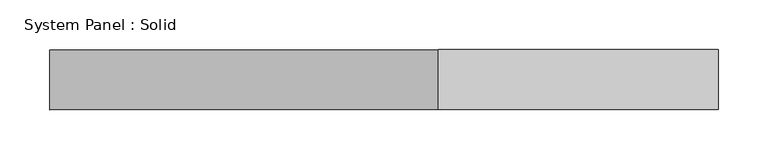
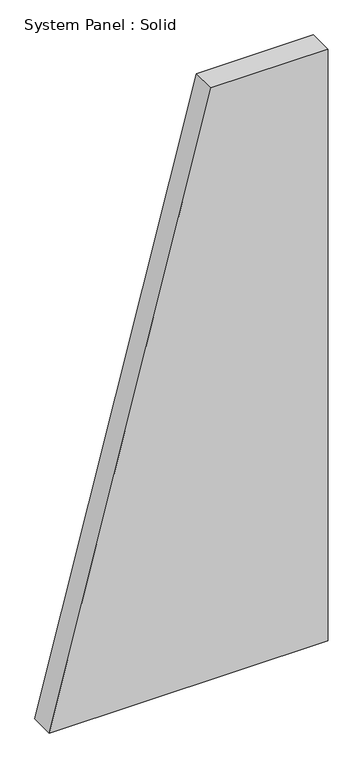
"""IFC4 building model written with IfcOpenShell, lengths in millimetres: plate geometry, System Panel : Solid."""

from ifc_helpers import new_model, si_unit, frame, origin, place, context, project, spatial, polyline, outline, extrude, source, transform, mapped, element, save


def system_panel_solid_e347e200(model_context):
    return source(origin(), model_context, "Body", "SweptSolid", [
        extrude(outline(polyline([(0.0, -334.3003953), (0.0, 334.3003953), (1500.0, 334.3003953), (1500.0, 54.2661396), (0.0, -334.3003953)])), frame((0.0, -10.5, 0.0), z_axis=(0.0, 1.0, 0.0), x_axis=(0.0, 0.0, 1.0)), (0.0, 0.0, 1.0), 60.0),
    ])


if __name__ == "__main__":
    model = new_model("IFC4")
    model_context = context("Model", 3, world=origin())
    ifc_project = project(units=[si_unit("LENGTHUNIT", "METRE", prefix="MILLI")], contexts=[model_context])
    site = spatial("IfcSite", under=ifc_project)
    building = spatial("IfcBuilding", under=site)
    placement = place(None, origin())
    system_panel_solid_shape = system_panel_solid_e347e200(model_context)
    element("IfcPlate", 1, ObjectType="System Panel : Solid", at=placement, inside=building, context=model_context, shape_type="MappedRepresentation", body=[
        mapped(system_panel_solid_shape, transform((0.0, 0.0, 0.0), x_axis=(1.0, 0.0, 0.0), y_axis=(0.0, 1.0, 0.0), z_axis=(0.0, 0.0, 1.0))),
    ])
    save(model, "model.ifc")
